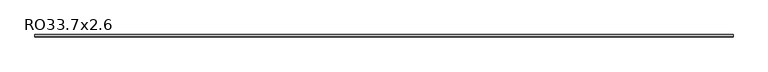
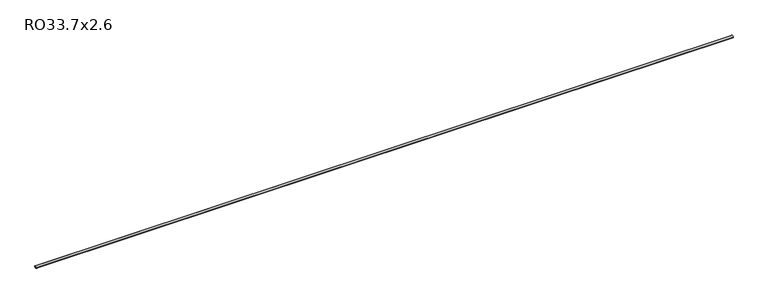
"""IFC4 building model written with IfcOpenShell, lengths in millimetres: beam geometry, RO33.7x2.6."""

from ifc_helpers import new_model, si_unit, point, frame, origin, origin_2d, place, context, project, spatial, circle_curve, trimmed, segment, composite_curve, outline, extrude, source, transform, mapped, element, save


def ro33_7x2_6_dc6744c4(model_context):
    return source(origin(), model_context, "Body", "SweptSolid", [
        extrude(outline(composite_curve([segment(trimmed(circle_curve(origin_2d(), 16.85), [point((-16.85, 0.0))], [point((16.85, 0.0))], False, "CARTESIAN"), True, "CONTINUOUS"), segment(trimmed(circle_curve(origin_2d(), 16.85), [point((16.85, 0.0))], [point((-16.85, 0.0))], False, "CARTESIAN"), True, "CONTINUOUS")], self_intersect=False), holes=[composite_curve([segment(trimmed(circle_curve(origin_2d(), 14.25), [point((14.25, 0.0))], [point((-14.25, 0.0))], True, "CARTESIAN"), True, "CONTINUOUS"), segment(trimmed(circle_curve(origin_2d(), 14.25), [point((-14.25, 0.0))], [point((14.25, 0.0))], True, "CARTESIAN"), True, "CONTINUOUS")], self_intersect=False)]), frame((-5057.4, 0.0, 0.0), z_axis=(1.0, 0.0, 0.0), x_axis=(0.0, 1.0, 0.0)), (0.0, 0.0, 1.0), 10114.8),
    ])


if __name__ == "__main__":
    model = new_model("IFC4")
    model_context = context("Model", 3, world=origin())
    ifc_project = project(units=[si_unit("LENGTHUNIT", "METRE", prefix="MILLI")], contexts=[model_context])
    site = spatial("IfcSite", under=ifc_project)
    building = spatial("IfcBuilding", under=site)
    placement = place(None, origin())
    ro33_7x2_6_shape = ro33_7x2_6_dc6744c4(model_context)
    element("IfcBeam", 1, ObjectType="RO33.7x2.6", at=placement, inside=building, context=model_context, shape_type="MappedRepresentation", body=[
        mapped(ro33_7x2_6_shape, transform((0.0, 0.0, 0.0), x_axis=(1.0, 0.0, 0.0), y_axis=(0.0, 1.0, 0.0), z_axis=(0.0, 0.0, 1.0))),
    ])
    save(model, "model.ifc")
